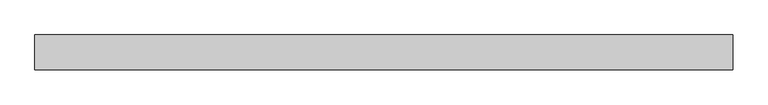
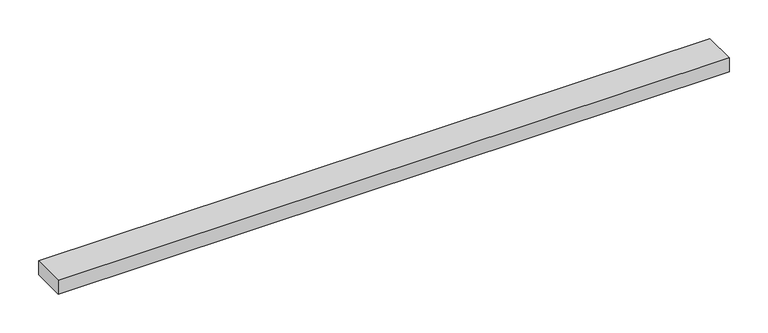
"""IFC4 building model written with IfcOpenShell, lengths in millimetres: beam geometry."""

from ifc_helpers import new_model, si_unit, frame, origin, place, context, project, spatial, polyline, outline, extrude, source, transform, mapped, element, save


def beam_e5d69882(model_context):
    return source(origin(), model_context, "Body", "SweptSolid", [
        extrude(outline(polyline([(452.5, 25.0), (452.5, -25.0), (-547.5, -25.0), (-547.5, 25.0), (452.5, 25.0)])), frame((0.0, 0.0, -11.0), z_axis=(0.0, 0.0, 1.0), x_axis=(1.0, 0.0, 0.0)), (0.0, 0.0, 1.0), 22.0),
    ])


if __name__ == "__main__":
    model = new_model("IFC4")
    model_context = context("Model", 3, world=origin())
    ifc_project = project(units=[si_unit("LENGTHUNIT", "METRE", prefix="MILLI")], contexts=[model_context])
    site = spatial("IfcSite", under=ifc_project)
    building = spatial("IfcBuilding", under=site)
    placement = place(None, origin())
    beam_shape = beam_e5d69882(model_context)
    element("IfcBeam", 1, at=placement, inside=building, context=model_context, shape_type="MappedRepresentation", body=[
        mapped(beam_shape, transform((0.0, 0.0, 0.0), x_axis=(1.0, 0.0, 0.0), y_axis=(0.0, 1.0, 0.0), z_axis=(0.0, 0.0, 1.0))),
    ])
    save(model, "model.ifc")
